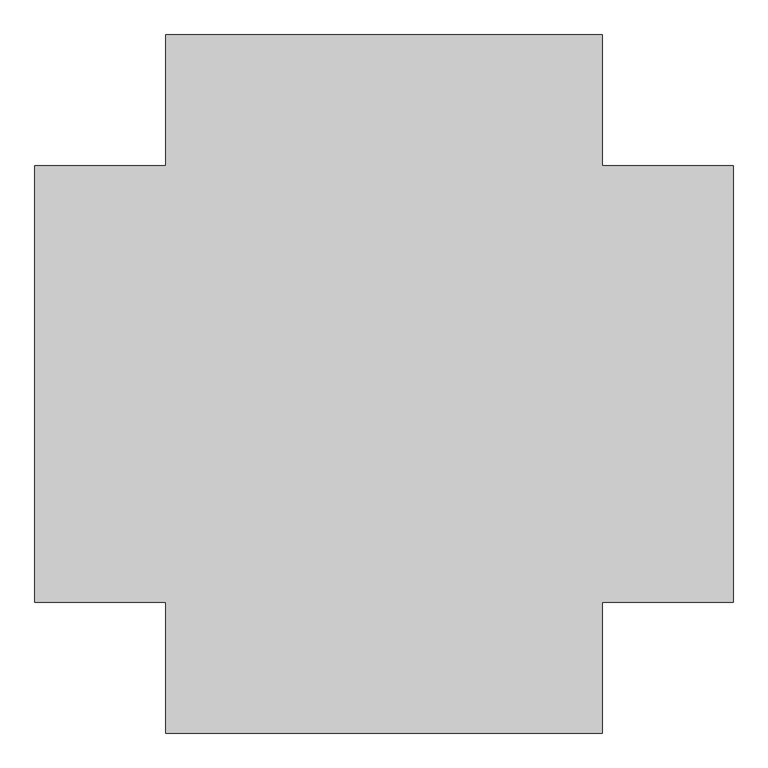
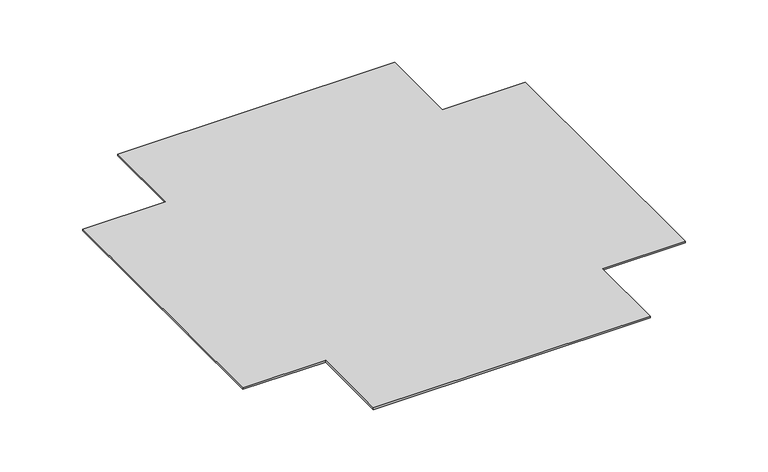
"""IFC4 building model written with IfcOpenShell, lengths in millimetres: furniture geometry."""

from ifc_helpers import new_model, si_unit, origin, origin_with_axes, place, context, project, spatial, polyline, outline, extrude, source, transform, mapped, element, save


def furniture_69e7e806(model_context):
    return source(origin(), model_context, "Body", "SweptSolid", [
        extrude(outline(polyline([(-299.0453125, 574.5757812), (0.6945313, 574.5757812), (0.6945313, 874.315625), (1001.4148438, 874.315625), (1001.4148438, 574.5757812), (1301.1546875, 574.5757812), (1301.1546875, -426.1445313), (1001.4148437, -426.1445313), (1001.4148437, -725.884375), (0.6945312, -725.884375), (0.6945312, -426.1445313), (-299.0453125, -426.1445313), (-299.0453125, 574.5757812)])), origin_with_axes(), (0.0, 0.0, 1.0), 6.35),
    ])


if __name__ == "__main__":
    model = new_model("IFC4")
    model_context = context("Model", 3, world=origin())
    ifc_project = project(units=[si_unit("LENGTHUNIT", "METRE", prefix="MILLI")], contexts=[model_context])
    site = spatial("IfcSite", under=ifc_project)
    building = spatial("IfcBuilding", under=site)
    placement = place(None, origin())
    furniture_shape = furniture_69e7e806(model_context)
    element("IfcFurniture", 1, at=placement, inside=building, context=model_context, shape_type="MappedRepresentation", body=[
        mapped(furniture_shape, transform((0.0, 0.0, 0.0), x_axis=(1.0, 0.0, 0.0), y_axis=(0.0, 1.0, 0.0), z_axis=(0.0, 0.0, 1.0))),
    ])
    save(model, "model.ifc")
